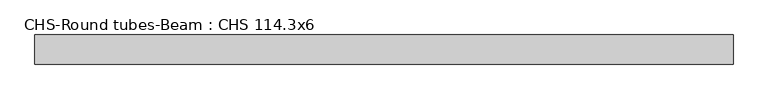
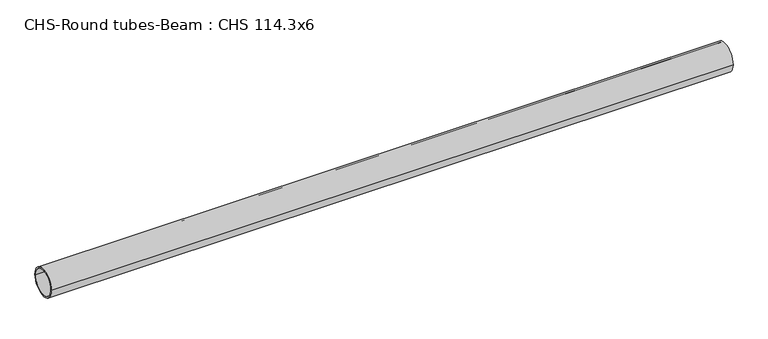
"""IFC4 building model written with IfcOpenShell, lengths in millimetres: beam geometry, CHS-Round tubes-Beam : CHS 114.3x6."""

from ifc_helpers import new_model, si_unit, point, frame, origin, origin_2d, place, context, project, spatial, circle_curve, trimmed, segment, composite_curve, outline, extrude, source, transform, mapped, element, save


def chs_round_tubes_beam_chs_114_3x6_dc45d572(model_context):
    return source(origin(), model_context, "Body", "SweptSolid", [
        extrude(outline(composite_curve([segment(trimmed(circle_curve(origin_2d(), 57.15), [point((57.15, 0.0))], [point((-57.15, 0.0))], False, "CARTESIAN"), True, "CONTINUOUS"), segment(trimmed(circle_curve(origin_2d(), 57.15), [point((-57.15, 0.0))], [point((57.15, 0.0))], False, "CARTESIAN"), True, "CONTINUOUS")], self_intersect=False), holes=[composite_curve([segment(trimmed(circle_curve(origin_2d(), 51.15), [point((51.15, 0.0))], [point((-51.15, 0.0))], True, "CARTESIAN"), True, "CONTINUOUS"), segment(trimmed(circle_curve(origin_2d(), 51.15), [point((-51.15, 0.0))], [point((51.15, 0.0))], True, "CARTESIAN"), True, "CONTINUOUS")], self_intersect=False)]), frame((-1364.6057601, 0.0, 0.0), z_axis=(1.0, 0.0, 0.0), x_axis=(0.0, 1.0, 0.0)), (0.0, 0.0, 1.0), 2736.9748248),
    ])


if __name__ == "__main__":
    model = new_model("IFC4")
    model_context = context("Model", 3, world=origin())
    ifc_project = project(units=[si_unit("LENGTHUNIT", "METRE", prefix="MILLI")], contexts=[model_context])
    site = spatial("IfcSite", under=ifc_project)
    building = spatial("IfcBuilding", under=site)
    placement = place(None, origin())
    chs_round_tubes_beam_chs_114_3x6_shape = chs_round_tubes_beam_chs_114_3x6_dc45d572(model_context)
    element("IfcBeam", 1, ObjectType="CHS-Round tubes-Beam : CHS 114.3x6", at=placement, inside=building, context=model_context, shape_type="MappedRepresentation", body=[
        mapped(chs_round_tubes_beam_chs_114_3x6_shape, transform((0.0, 0.0, 0.0), x_axis=(1.0, 0.0, 0.0), y_axis=(0.0, 1.0, 0.0), z_axis=(0.0, 0.0, 1.0))),
    ])
    save(model, "model.ifc")
